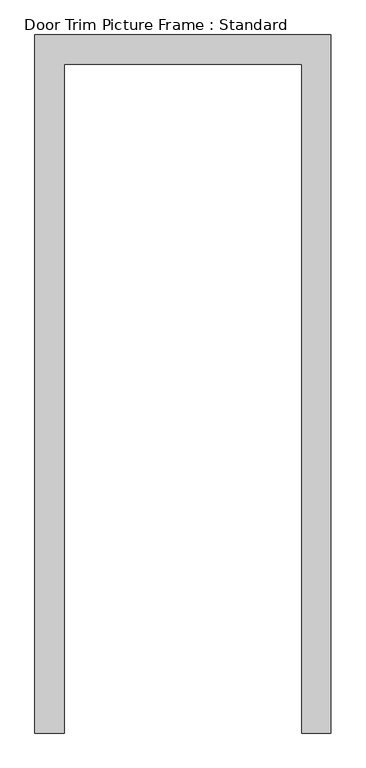
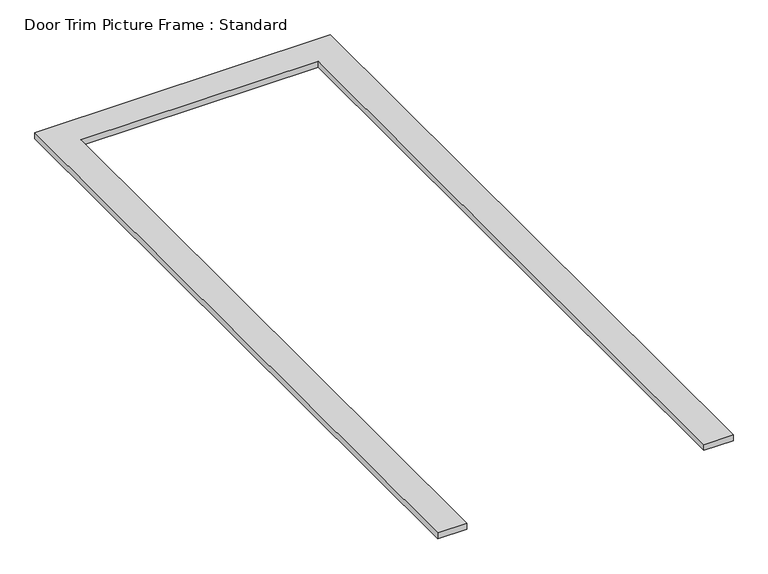
"""IFC4 building model written with IfcOpenShell, lengths in millimetres: proxy geometry, Door Trim Picture Frame : Standard."""

from ifc_helpers import new_model, si_unit, origin, origin_with_axes, place, context, project, spatial, polyline, outline, extrude, source, transform, mapped, element, save


def door_trim_picture_frame_standard_d6549079(model_context):
    return source(origin(), model_context, "Body", "SweptSolid", [
        extrude(outline(polyline([(-361.95, -2057.4), (-450.85, -2057.4), (-450.85, 69.85), (450.85, 69.85), (450.85, -2057.4), (361.95, -2057.4), (361.95, -19.05), (-361.95, -19.05), (-361.95, -2057.4)])), origin_with_axes(), (0.0, 0.0, 1.0), 19.05),
    ])


if __name__ == "__main__":
    model = new_model("IFC4")
    model_context = context("Model", 3, world=origin())
    ifc_project = project(units=[si_unit("LENGTHUNIT", "METRE", prefix="MILLI")], contexts=[model_context])
    site = spatial("IfcSite", under=ifc_project)
    building = spatial("IfcBuilding", under=site)
    placement = place(None, origin())
    door_trim_picture_frame_standard_shape = door_trim_picture_frame_standard_d6549079(model_context)
    element("IfcBuildingElementProxy", 1, Name="Door Trim Picture Frame : Standard", ObjectType="Door Trim Picture Frame : Standard", at=placement, inside=building, context=model_context, shape_type="MappedRepresentation", body=[
        mapped(door_trim_picture_frame_standard_shape, transform((0.0, 0.0, 0.0), x_axis=(1.0, 0.0, 0.0), y_axis=(0.0, 1.0, 0.0), z_axis=(0.0, 0.0, 1.0))),
    ])
    save(model, "model.ifc")
